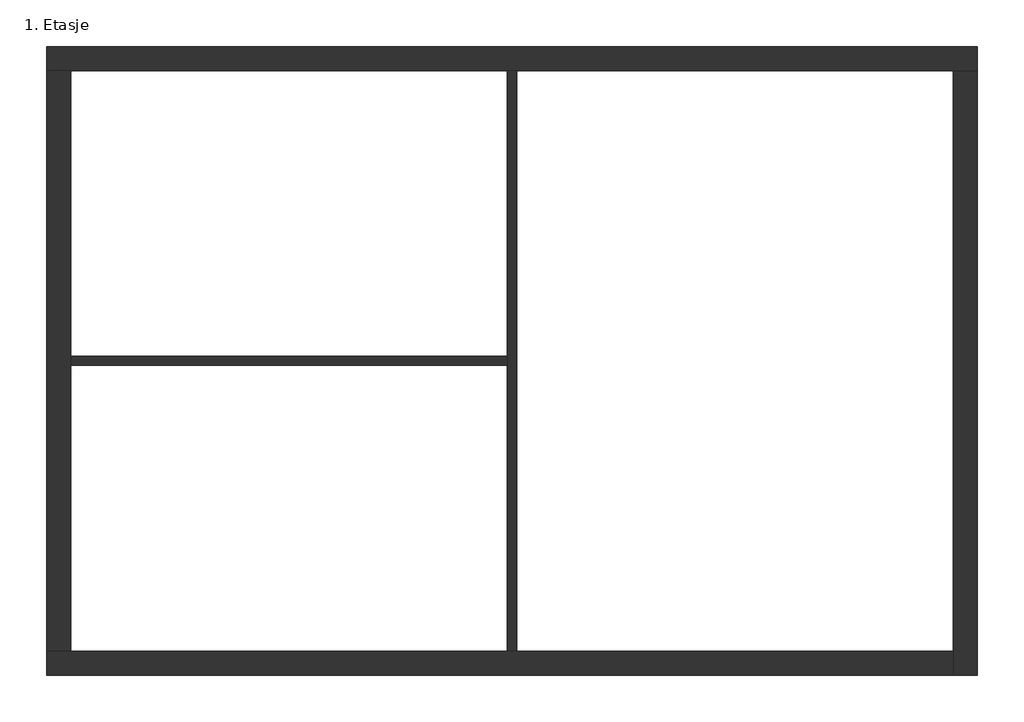
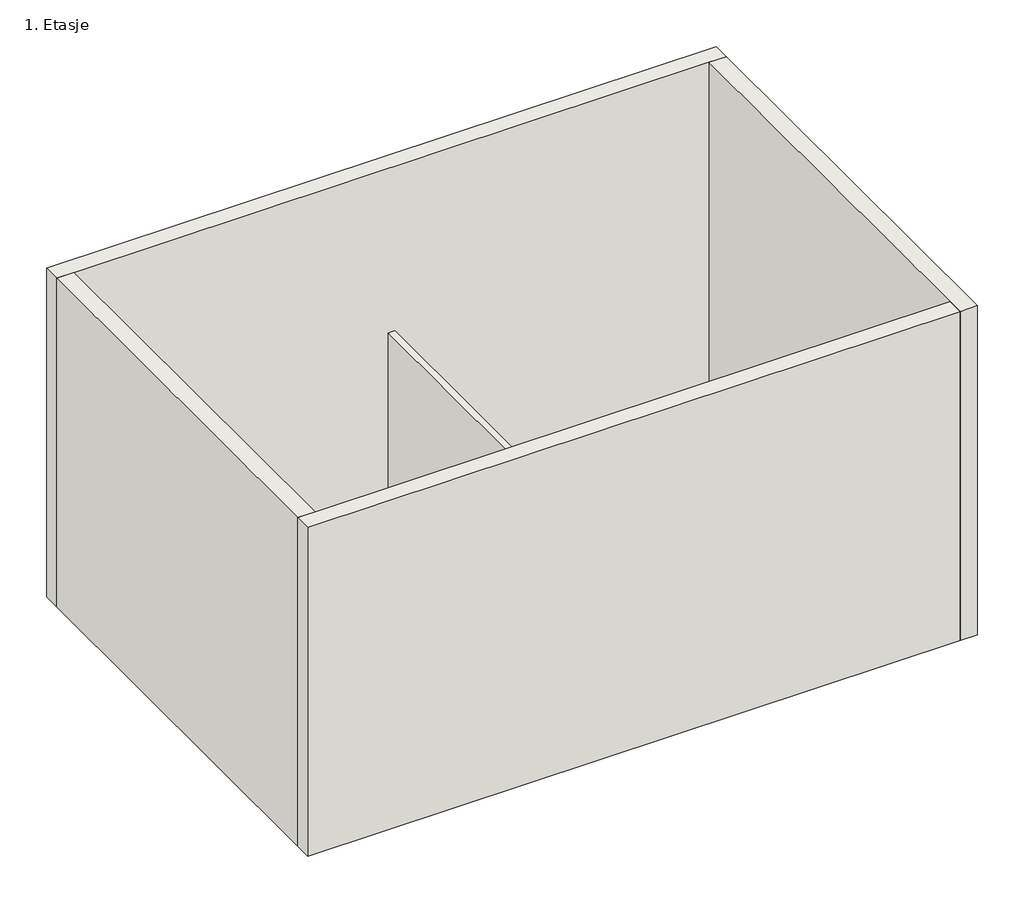
# One storey: 6 walls.
"""IFC4 building model written with IfcOpenShell, lengths in millimetres."""

from ifc_helpers import new_model, si_unit, origin, origin_with_axes, place, context, project, spatial, polyline, outline, extrude, faceted_brep, element, save

model = new_model("IFC4")

# Units and contexts
model_context = context("Model", 3, world=origin())
ifc_project = project(units=[si_unit("LENGTHUNIT", "METRE", prefix="MILLI")], contexts=[model_context])

# Site, building, storey
site = spatial("IfcSite", under=ifc_project)
building = spatial("IfcBuilding", under=site)
storey = spatial("IfcBuildingStorey", under=building, Name="1. Etasje", Elevation=0.0)

# Walls
placement = place(None, origin())
element("IfcWall", 1, at=placement, inside=storey, context=model_context, shape_type="Brep", body=[
    faceted_brep([(-8239.297319, 5153.3218897, 0.0), (-7839.297319, 5153.3218897, 0.0), (-614.297319, 5153.3218897, 0.0), (-464.297319, 5153.3218897, 0.0), (6760.702681, 5153.3218897, 0.0), (7160.702681, 5153.3218897, 0.0), (7160.702681, 5153.3218897, 8000.0), (6760.702681, 5153.3218897, 8000.0), (-7839.297319, 5153.3218897, 8000.0), (-8239.297319, 5153.3218897, 8000.0), (-8239.297319, 5553.3218897, 0.0), (-8239.297319, 5553.3218897, 8000.0), (7160.702681, 5553.3218897, 8000.0), (7160.702681, 5553.3218897, 0.0)], [[[0, 1, 2, 3, 4, 5, 6, 7, 8, 9]], [[10, 11, 12, 13]], [[5, 4, 3, 2, 1, 0, 10, 13]], [[9, 8, 7, 6, 12, 11]], [[6, 5, 13, 12]], [[0, 9, 11, 10]]]),
])
element("IfcWall", 2, at=placement, inside=storey, context=model_context, shape_type="Brep", body=[
    faceted_brep([(6760.702681, 5153.3218897, 0.0), (6760.702681, -4446.6781103, 0.0), (6760.702681, -4846.6781103, 0.0), (6760.702681, -4846.6781103, 8000.0), (6760.702681, -4446.6781103, 8000.0), (6760.702681, 5153.3218897, 8000.0), (7160.702681, 5153.3218897, 0.0), (7160.702681, 5153.3218897, 8000.0), (7160.702681, -4846.6781103, 8000.0), (7160.702681, -4846.6781103, 0.0)], [[[0, 1, 2, 3, 4, 5]], [[6, 7, 8, 9]], [[2, 1, 0, 6, 9]], [[5, 4, 3, 8, 7]], [[3, 2, 9, 8]], [[0, 5, 7, 6]]]),
])
element("IfcWall", 3, at=placement, inside=storey, context=model_context, shape_type="Brep", body=[
    faceted_brep([(6760.702681, -4446.6781103, 0.0), (-464.297319, -4446.6781103, 0.0), (-614.297319, -4446.6781103, 0.0), (-7839.297319, -4446.6781103, 0.0), (-8239.297319, -4446.6781103, 0.0), (-8239.297319, -4446.6781103, 8000.0), (-7839.297319, -4446.6781103, 8000.0), (6760.702681, -4446.6781103, 8000.0), (6760.702681, -4846.6781103, 0.0), (6760.702681, -4846.6781103, 8000.0), (-8239.297319, -4846.6781103, 8000.0), (-8239.297319, -4846.6781103, 0.0)], [[[0, 1, 2, 3, 4, 5, 6, 7]], [[8, 9, 10, 11]], [[4, 3, 2, 1, 0, 8, 11]], [[7, 6, 5, 10, 9]], [[5, 4, 11, 10]], [[0, 7, 9, 8]]]),
])
element("IfcWall", 4, at=placement, inside=storey, context=model_context, shape_type="Brep", body=[
    faceted_brep([(-7839.297319, -4446.6781103, 0.0), (-7839.297319, 278.3218897, 0.0), (-7839.297319, 428.3218897, 0.0), (-7839.297319, 5153.3218897, 0.0), (-7839.297319, 5153.3218897, 8000.0), (-7839.297319, -4446.6781103, 8000.0), (-8239.297319, -4446.6781103, 0.0), (-8239.297319, -4446.6781103, 8000.0), (-8239.297319, 5153.3218897, 8000.0), (-8239.297319, 5153.3218897, 0.0)], [[[0, 1, 2, 3, 4, 5]], [[6, 7, 8, 9]], [[3, 2, 1, 0, 6, 9]], [[5, 4, 8, 7]], [[4, 3, 9, 8]], [[0, 5, 7, 6]]]),
])
element("IfcWall", 5, at=placement, inside=storey, context=model_context, shape_type="SweptSolid", body=[
    extrude(outline(polyline([(-614.297319, 278.3218897), (-7839.297319, 278.3218897), (-7839.297319, 428.3218897), (-614.297319, 428.3218897), (-614.297319, 278.3218897)])), origin_with_axes(), (0.0, 0.0, 1.0), 4000.0),
])
element("IfcWall", 6, at=placement, inside=storey, context=model_context, shape_type="Brep", body=[
    faceted_brep([(-614.297319, 5153.3218897, 0.0), (-614.297319, 428.3218897, 0.0), (-614.297319, 278.3218897, 0.0), (-614.297319, -4446.6781103, 0.0), (-614.297319, -4446.6781103, 4000.0), (-614.297319, 278.3218897, 4000.0), (-614.297319, 428.3218897, 4000.0), (-614.297319, 5153.3218897, 4000.0), (-464.297319, 5153.3218897, 0.0), (-464.297319, 5153.3218897, 4000.0), (-464.297319, -4446.6781103, 4000.0), (-464.297319, -4446.6781103, 0.0)], [[[0, 1, 2, 3, 4, 5, 6, 7]], [[8, 9, 10, 11]], [[3, 2, 1, 0, 8, 11]], [[7, 6, 5, 4, 10, 9]], [[0, 7, 9, 8]], [[4, 3, 11, 10]]]),
])

save(model, "model.ifc")
